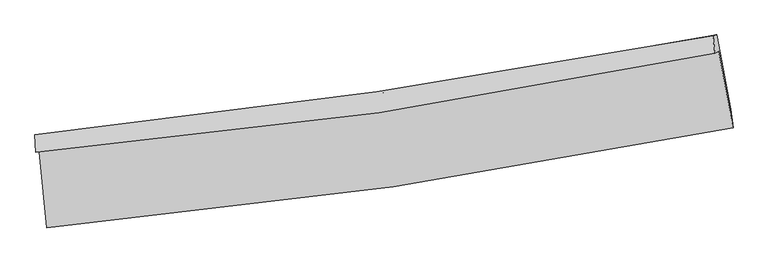
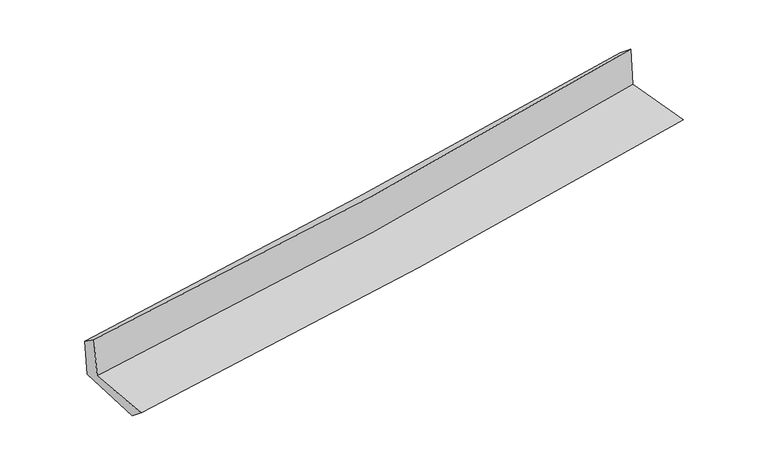
"""IFC4 building model written with IfcOpenShell, lengths in millimetres: proxy geometry."""

from ifc_helpers import new_model, si_unit, frame, origin, place, context, project, spatial, source, transform, mapped, element, save
from ifc_brep_helpers import plane_surface, spline_curve, spline_surface, advanced_brep


def generic_models_6a8175a2(model_context):
    return source(origin(), model_context, "Body", "AdvancedBrep", [
        advanced_brep(
        [(-2989.2505973, -1917.0246135, 1630.1585453), (-2925.1010458, -2578.7518893, 1613.4267828), (3052.4444275, -1707.2183599, 2122.0259392), (2927.0917344, -1039.0741774, 2138.0222631), (-3023.081137, -1921.512891, 2030.8028727), (2894.7938426, -1058.636881, 2537.4516045), (-3028.6481643, -1765.3864128, 1922.8436394), (2877.6072952, -905.1154415, 2411.9778913), (-2997.5421618, -1761.6418193, 1554.8888385), (2908.3734776, -897.4233684, 2054.0550919), (-2928.8874715, -2429.2792131, 1492.0181784), (3031.9940037, -1545.5598793, 2016.0620952)],
        [
            (0, 1),
            (1, 2, spline_curve(3, [(-2925.1010458, -2578.7518893, 1613.4267828), (-1916.653920795, -2486.259970276, 1717.881255079), (-911.286648739, -2366.780562525, 1812.691487719), (1081.154390576, -2075.61991451, 1981.992444789), (2068.302276035, -1904.588145724, 2056.715264347), (3052.4444275, -1707.2183599, 2122.0259392)], [4, 2, 4], [0.0, 9.960353256208144, 19.800125402009])),
            (2, 3),
            (3, 0, spline_curve(3, [(2927.0917344, -1039.0741774, 2138.0222631), (1954.507534438, -1238.092781699, 2060.155787091), (978.212148754, -1410.482229575, 1979.177377746), (-993.810447503, -1703.789025723, 1809.966208965), (-1989.629172322, -1824.049723255, 1721.656712907), (-2989.2505973, -1917.0246135, 1630.1585453)], [4, 2, 4], [0.0, 9.839772145800858, 19.800125402009])),
            (4, 0),
            (3, 5),
            (5, 4, spline_curve(3, [(2894.7938426, -1058.636881, 2537.4516045), (1922.457880875, -1260.123917992, 2459.418131868), (946.161200361, -1432.514150104, 2378.455734912), (-1026.366125068, -1720.856987499, 2209.645048704), (-2022.69443758, -1836.092092193, 2121.724535164), (-3023.081137, -1921.512891, 2030.8028727)], [4, 2, 4], [0.0, 9.790965759328369, 19.701914533072713])),
            (6, 4),
            (5, 7),
            (7, 6, spline_curve(3, [(2877.6072952, -905.1154415, 2411.9778913), (1903.589735415, -1086.225250574, 2345.839290854), (927.403670836, -1248.150370227, 2272.302366537), (-1041.294675582, -1535.380437902, 2109.440051966), (-2033.860430898, -1660.212308738, 2019.932225658), (-3028.6481643, -1765.3864128, 1922.8436394)], [4, 2, 4], [0.0, 9.778436661556038, 19.67670280017989])),
            (8, 6),
            (7, 9),
            (9, 8, spline_curve(3, [(2908.3734776, -897.4233684, 2054.0550919), (1936.98685648, -1090.497839606, 1975.702623935), (962.152246884, -1258.76668456, 1895.195726065), (-1006.401275261, -1547.451185547, 1728.86010147), (-2000.20521214, -1667.255157906, 1642.978247883), (-2997.5421618, -1761.6418193, 1554.8888385)], [4, 2, 4], [0.0, 9.767889546287693, 19.655479320423623])),
            (10, 8),
            (9, 11),
            (11, 10, spline_curve(3, [(3031.9940037, -1545.5598793, 2016.0620952), (2051.350528895, -1735.624078597, 1927.434102113), (1067.334439362, -1903.983961868, 1839.710188541), (-919.542886776, -2199.09228196, 1665.006588925), (-1922.487288936, -2325.305509834, 1578.049197084), (-2928.8874715, -2429.2792131, 1492.0181784)], [4, 2, 4], [0.0, 9.817154042921503, 19.75461202357596])),
            (1, 10),
            (11, 2),
        ],
        [
            spline_surface(3, 3, [[(-2989.2505973, -1917.0246135, 1630.1585453), (-1989.629172207, -1824.049723337, 1721.65671276), (-993.810447415, -1703.789025781, 1809.966209126), (978.212148667, -1410.482229517, 1979.177377587), (1954.507534443, -1238.092781692, 2060.155787163), (2927.0917344, -1039.0741774, 2138.0222631)], [(-2967.867413457, -2137.600372085, 1624.58129113), (-1965.304088392, -2044.786472279, 1720.398226859), (-966.302514477, -1924.786204734, 1810.87463532), (1012.526229277, -1632.194791182, 1980.115733354), (1992.439115005, -1460.257902978, 2059.008946242), (2968.875965462, -1261.788904881, 2132.690155152)], [(-2946.484229643, -2358.176130715, 1619.00403697), (-1940.979004606, -2265.523221265, 1719.139740968), (-938.794581568, -2145.783383628, 1811.78306147), (1046.840309859, -1853.907352789, 1981.054089077), (2030.370695479, -1682.423024321, 2057.862105264), (3010.660196438, -1484.503632419, 2127.358047148)], [(-2925.1010458, -2578.7518893, 1613.4267828), (-1916.653920791, -2486.259970206, 1717.881255067), (-911.286648631, -2366.780562581, 1812.691487663), (1081.154390469, -2075.619914455, 1981.992444844), (2068.30227604, -1904.588145607, 2056.715264344), (3052.4444275, -1707.2183599, 2122.0259392)]], [4, 4], [4, 2, 4], [0.0, 2.199750036056911], [0.0, 9.960353256208144, 19.800125402009]),
            spline_surface(3, 3, [[(-3023.081137, -1921.512891, 2030.8028727), (-2022.694437716, -1836.092092271, 2121.724535276), (-1026.366125096, -1720.856987588, 2209.645048826), (946.161200388, -1432.514150017, 2378.455734792), (1922.457880913, -1260.123918073, 2459.418131858), (2894.7938426, -1058.636881, 2537.4516045)], [(-3011.804290434, -1920.016798498, 1897.254763569), (-2011.672682547, -1832.077969291, 1988.368594439), (-1015.514232556, -1715.16766697, 2076.418768921), (956.844849794, -1425.170176501, 2245.362949051), (1933.141098727, -1252.780205971, 2326.330683633), (2905.559806504, -1052.115979825, 2404.308490706)], [(-3000.527443866, -1918.520706002, 1763.706654431), (-2000.650927377, -1828.063846317, 1855.012653597), (-1004.662339955, -1709.478346399, 1943.192489032), (967.528499261, -1417.826203032, 2112.270163328), (1943.824316629, -1245.436493794, 2193.243235388), (2916.325770496, -1045.595078575, 2271.165376894)], [(-2989.2505973, -1917.0246135, 1630.1585453), (-1989.629172207, -1824.049723337, 1721.65671276), (-993.810447415, -1703.789025781, 1809.966209126), (978.212148667, -1410.482229517, 1979.177377587), (1954.507534443, -1238.092781692, 2060.155787163), (2927.0917344, -1039.0741774, 2138.0222631)]], [4, 4], [4, 2, 4], [0.0, 1.3164708006968717], [0.0, 9.910948773744344, 19.701914533072713]),
            spline_surface(3, 3, [[(-3028.6481643, -1765.3864128, 1922.8436394), (-2033.860430994, -1660.212308613, 2019.932225682), (-1041.294675606, -1535.380437811, 2109.440051926), (927.40367086, -1248.150370317, 2272.302366576), (1903.589735321, -1086.225250642, 2345.839290981), (2877.6072952, -905.1154415, 2411.9778913)], [(-3026.792488542, -1817.428572222, 1958.830050499), (-2030.138433243, -1718.838903188, 2053.862995546), (-1036.318492094, -1597.205954399, 2142.841717539), (933.656180712, -1309.604963546, 2307.686822627), (1909.879117211, -1144.191473099, 2383.698904604), (2883.33614436, -956.289254647, 2453.802462365)], [(-3024.936812758, -1869.470731578, 1994.816461601), (-2026.416435467, -1777.465497696, 2087.793765412), (-1031.342308608, -1659.031471, 2176.243383214), (939.908690537, -1371.059556788, 2343.071278741), (1916.168499023, -1202.157695616, 2421.558518234), (2889.06499344, -1007.463067853, 2495.627033435)], [(-3023.081137, -1921.512891, 2030.8028727), (-2022.694437716, -1836.092092271, 2121.724535276), (-1026.366125096, -1720.856987588, 2209.645048826), (946.161200388, -1432.514150017, 2378.455734792), (1922.457880913, -1260.123918073, 2459.418131858), (2894.7938426, -1058.636881, 2537.4516045)]], [4, 4], [4, 2, 4], [0.0, 0.6968910980567014], [0.0, 9.898266138623852, 19.67670280017989]),
            spline_surface(3, 3, [[(-2997.5421618, -1761.6418193, 1554.8888385), (-2000.205212257, -1667.255157858, 1642.978247901), (-1006.401275273, -1547.451185688, 1728.860101341), (962.152246895, -1258.76668442, 1895.195726193), (1936.986856432, -1090.497839623, 1975.702623876), (2908.3734776, -897.4233684, 2054.0550919)], [(-3007.910829321, -1762.890017114, 1677.540438789), (-2011.423618524, -1664.907541424, 1768.629573817), (-1018.032408723, -1543.427603059, 1855.720084873), (950.56938821, -1255.227913049, 2020.897939658), (1925.854482727, -1089.073643299, 2099.081512887), (2898.118083465, -899.98739277, 2173.362691676)], [(-3018.279496779, -1764.138214986, 1800.192039111), (-2022.642024727, -1662.559925047, 1894.280899766), (-1029.663542155, -1539.404020439, 1982.580068394), (938.986529545, -1251.689141687, 2146.600153111), (1914.722109026, -1087.649446966, 2222.460401969), (2887.862689335, -902.55141713, 2292.670291524)], [(-3028.6481643, -1765.3864128, 1922.8436394), (-2033.860430994, -1660.212308613, 2019.932225682), (-1041.294675606, -1535.380437811, 2109.440051926), (927.40367086, -1248.150370317, 2272.302366576), (1903.589735321, -1086.225250642, 2345.839290981), (2877.6072952, -905.1154415, 2411.9778913)]], [4, 4], [4, 2, 4], [0.0, 1.248786262636167], [0.0, 9.88758977413593, 19.655479320423623]),
            spline_surface(3, 3, [[(-2928.8874715, -2429.2792131, 1492.0181784), (-1922.487288831, -2325.305509836, 1578.049197192), (-919.542886759, -2199.092281943, 1665.006589048), (1067.334439346, -1903.983961885, 1839.71018842), (2051.350528999, -1735.624078515, 1927.434102173), (3031.9940037, -1545.5598793, 2016.0620952)], [(-2951.772368251, -2206.733415183, 1512.975065102), (-1948.393263291, -2105.955392526, 1599.692214097), (-948.495682938, -1981.878583213, 1686.291093155), (1032.273708521, -1688.911536085, 1858.205367687), (2013.229304794, -1520.581998903, 1943.523609419), (2990.787161651, -1329.514375685, 2028.726427445)], [(-2974.657265049, -1984.187617217, 1533.931951798), (-1974.299237797, -1886.605275168, 1621.335230996), (-977.448479094, -1764.664884418, 1707.575597234), (997.21297772, -1473.83911022, 1876.700546926), (1975.108080637, -1305.539919235, 1959.61311663), (2949.580319649, -1113.468872015, 2041.390759655)], [(-2997.5421618, -1761.6418193, 1554.8888385), (-2000.205212257, -1667.255157858, 1642.978247901), (-1006.401275273, -1547.451185688, 1728.860101341), (962.152246895, -1258.76668442, 1895.195726193), (1936.986856432, -1090.497839623, 1975.702623876), (2908.3734776, -897.4233684, 2054.0550919)]], [4, 4], [4, 2, 4], [0.0, 2.1595717701570956], [0.0, 9.937457980654456, 19.75461202357596]),
            spline_surface(3, 3, [[(-2925.1010458, -2578.7518893, 1613.4267828), (-1916.653920791, -2486.259970206, 1717.881255067), (-911.286648631, -2366.780562581, 1812.691487663), (1081.154390469, -2075.619914455, 1981.992444844), (2068.30227604, -1904.588145607, 2056.715264344), (3052.4444275, -1707.2183599, 2122.0259392)], [(-2926.363187695, -2528.927663898, 1572.957248012), (-1918.598376799, -2432.608483414, 1671.270569121), (-914.038727991, -2310.884469017, 1763.463188124), (1076.547740111, -2018.407930246, 1934.565026035), (2062.651693684, -1848.266789902, 2013.621543609), (3045.627619558, -1653.332199693, 2086.704657856)], [(-2927.625329605, -2479.103438502, 1532.487713188), (-1920.542832823, -2378.956996628, 1624.659883139), (-916.790807399, -2254.988375507, 1714.234888587), (1071.941089704, -1961.195946093, 1887.137607229), (2057.001111355, -1791.94543422, 1970.527822908), (3038.810811642, -1599.446039507, 2051.383376544)], [(-2928.8874715, -2429.2792131, 1492.0181784), (-1922.487288831, -2325.305509836, 1578.049197192), (-919.542886759, -2199.092281943, 1665.006589048), (1067.334439346, -1903.983961885, 1839.71018842), (2051.350528999, -1735.624078515, 1927.434102173), (3031.9940037, -1545.5598793, 2016.0620952)]], [4, 4], [4, 2, 4], [0.0, 0.733085563132666], [0.0, 9.997525580616637, 19.87402003865892]),
            plane_surface(frame((2948.7174635, -1192.1713513, 2213.2658142), z_axis=(0.9794111860287229, 0.18164146832812744, 0.08809146193254203), x_axis=(-0.08562215913097282, -0.021407007835970097, 0.9960976788855906))),
            plane_surface(frame((-2982.0850963, -2062.2661398, 1707.3564762), z_axis=(-0.991951233562765, -0.09401779610125062, -0.08481393900516829), x_axis=(-0.09645969954307022, 0.995018868837929, 0.02515903457108304))),
        ],
        [
            (0, [[1, 2, 3, 4]]),
            (1, [[5, -4, 6, 7]]),
            (2, [[8, -7, 9, 10]]),
            (3, [[11, -10, 12, 13]]),
            (4, [[14, -13, 15, 16]]),
            (5, [[17, -16, 18, -2]]),
            (6, [[-12, -9, -6, -3, -18, -15]]),
            (7, [[-1, -5, -8, -11, -14, -17]]),
        ],
    ),
    ])


if __name__ == "__main__":
    model = new_model("IFC4")
    model_context = context("Model", 3, world=origin())
    ifc_project = project(units=[si_unit("LENGTHUNIT", "METRE", prefix="MILLI")], contexts=[model_context])
    site = spatial("IfcSite", under=ifc_project)
    building = spatial("IfcBuilding", under=site)
    placement = place(None, origin())
    generic_models_shape = generic_models_6a8175a2(model_context)
    element("IfcBuildingElementProxy", 1, Name="Generic Models", at=placement, inside=building, context=model_context, shape_type="MappedRepresentation", body=[
        mapped(generic_models_shape, transform((0.0, 0.0, 0.0), x_axis=(1.0, 0.0, 0.0), y_axis=(0.0, 1.0, 0.0), z_axis=(0.0, 0.0, 1.0))),
    ])
    save(model, "model.ifc")
